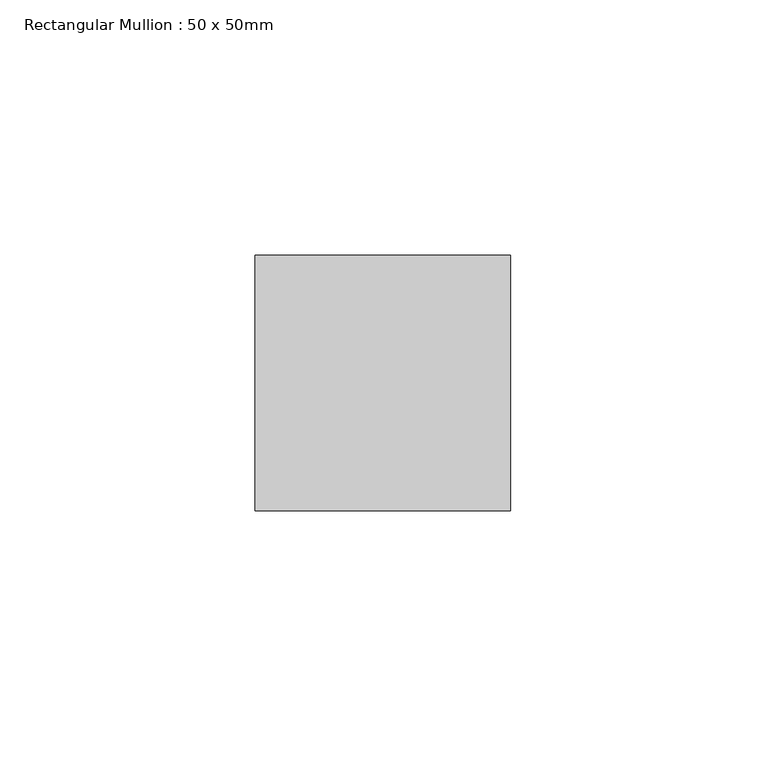
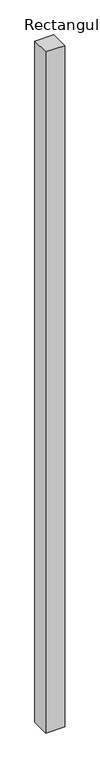
"""IFC4 building model written with IfcOpenShell, lengths in millimetres: member geometry, Rectangular Mullion : 50 x 50mm."""

from ifc_helpers import new_model, si_unit, frame, origin, place, context, project, spatial, polyline, outline, extrude, source, transform, mapped, element, save


def rectangular_mullion_50_x_50mm_521ae9a2(model_context):
    return source(origin(), model_context, "Body", "SweptSolid", [
        extrude(outline(polyline([(0.0, 50.0), (0.0, 0.0), (-50.0, 0.0), (-50.0, 50.0), (0.0, 50.0)])), frame((0.0, 0.0, -1906.0), z_axis=(0.0, 0.0, 1.0), x_axis=(1.0, 0.0, 0.0)), (0.0, 0.0, 1.0), 1906.0),
    ])


if __name__ == "__main__":
    model = new_model("IFC4")
    model_context = context("Model", 3, world=origin())
    ifc_project = project(units=[si_unit("LENGTHUNIT", "METRE", prefix="MILLI")], contexts=[model_context])
    site = spatial("IfcSite", under=ifc_project)
    building = spatial("IfcBuilding", under=site)
    placement = place(None, origin())
    rectangular_mullion_50_x_50mm_shape = rectangular_mullion_50_x_50mm_521ae9a2(model_context)
    element("IfcMember", 1, ObjectType="Rectangular Mullion : 50 x 50mm", at=placement, inside=building, context=model_context, shape_type="MappedRepresentation", body=[
        mapped(rectangular_mullion_50_x_50mm_shape, transform((0.0, 0.0, 0.0), x_axis=(1.0, 0.0, 0.0), y_axis=(0.0, 1.0, 0.0), z_axis=(0.0, 0.0, 1.0))),
    ])
    save(model, "model.ifc")
